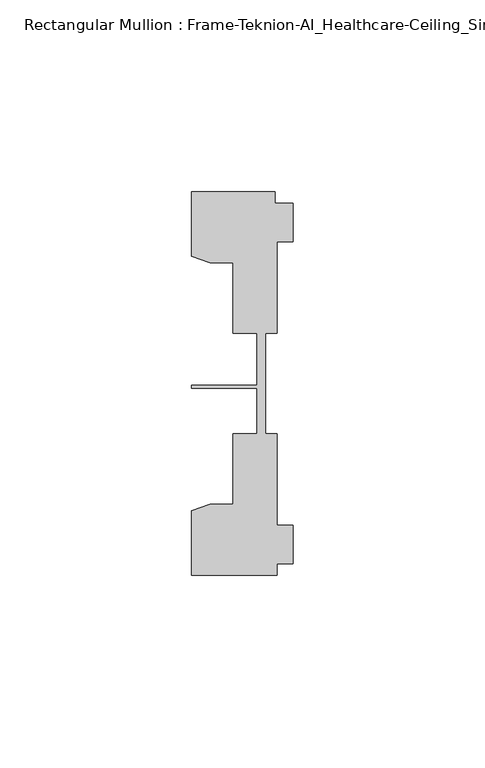
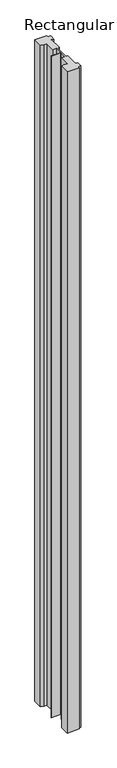
"""IFC4 building model written with IfcOpenShell, lengths in millimetres: member geometry, Rectangular Mullion : Frame-Teknion-AI_Healthcare-Ceiling_Single_Channel."""

from ifc_helpers import new_model, si_unit, frame, origin, place, context, project, spatial, polyline, outline, extrude, source, transform, mapped, element, save


def rectangular_mullion_frame_teknion_ai_healthcare_ceiling_3b13b156(model_context):
    return source(origin(), model_context, "Body", "SweptSolid", [
        extrude(outline(polyline([(-26.4921999, 34.0201677), (-26.4921999, 50.8315128), (-4.7752002, 50.8315128), (-4.7752002, 47.782071), (0.0, 47.782071), (0.0, 37.7820716), (-4.2672007, 37.7820716), (-4.2672007, 13.9110722), (-7.1647766, 13.9110722), (-7.1647766, 0.0814804), (-7.1647766, -12.2509301), (-4.2672007, -12.2509301), (-4.2672007, -36.1219249), (0.0, -36.1219249), (0.0, -46.1219322), (-4.2672007, -46.1219322), (-4.2672007, -49.1699293), (-26.4921999, -49.1699293), (-26.4921999, -32.3600207), (-21.6625199, -30.6279561), (-15.6737764, -30.6279561), (-15.6737764, -12.2509301), (-9.4507761, -12.2509301), (-9.4507761, -0.4036528), (-26.4921999, -0.4036528), (-26.4921999, 0.4036528), (-9.4507761, 0.4036528), (-9.4507761, 13.9110722), (-15.6737764, 13.9110722), (-15.6737764, 32.2880982), (-21.6625199, 32.2880982), (-26.4921999, 34.0201677)])), frame((0.0, 0.0, -1257.3), z_axis=(0.0, 0.0, 1.0), x_axis=(1.0, 0.0, 0.0)), (0.0, 0.0, 1.0), 1257.3),
    ])


if __name__ == "__main__":
    model = new_model("IFC4")
    model_context = context("Model", 3, world=origin())
    ifc_project = project(units=[si_unit("LENGTHUNIT", "METRE", prefix="MILLI")], contexts=[model_context])
    site = spatial("IfcSite", under=ifc_project)
    building = spatial("IfcBuilding", under=site)
    placement = place(None, origin())
    rectangular_mullion_frame_teknion_ai_healthcare_ceiling_shape = rectangular_mullion_frame_teknion_ai_healthcare_ceiling_3b13b156(model_context)
    element("IfcMember", 1, ObjectType="Rectangular Mullion : Frame-Teknion-AI_Healthcare-Ceiling_Single_Channel", at=placement, inside=building, context=model_context, shape_type="MappedRepresentation", body=[
        mapped(rectangular_mullion_frame_teknion_ai_healthcare_ceiling_shape, transform((0.0, 0.0, 0.0), x_axis=(1.0, 0.0, 0.0), y_axis=(0.0, 1.0, 0.0), z_axis=(0.0, 0.0, 1.0))),
    ])
    save(model, "model.ifc")
